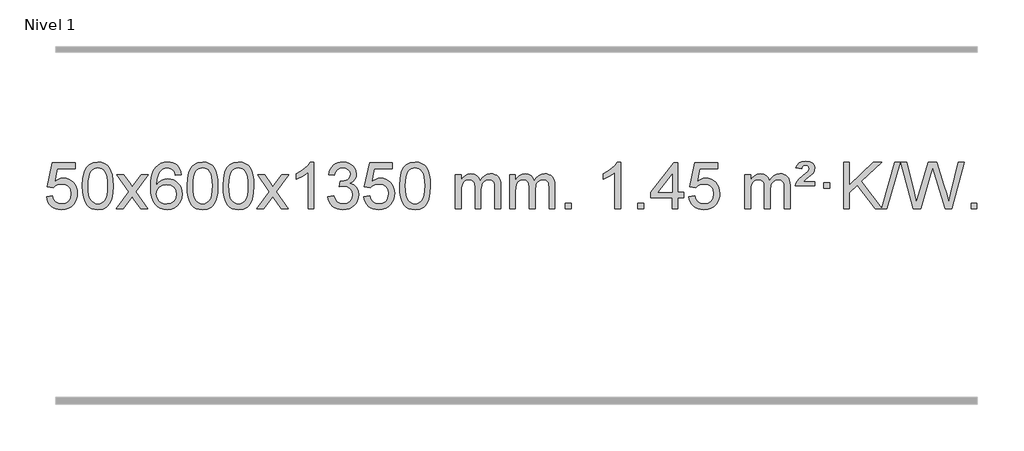
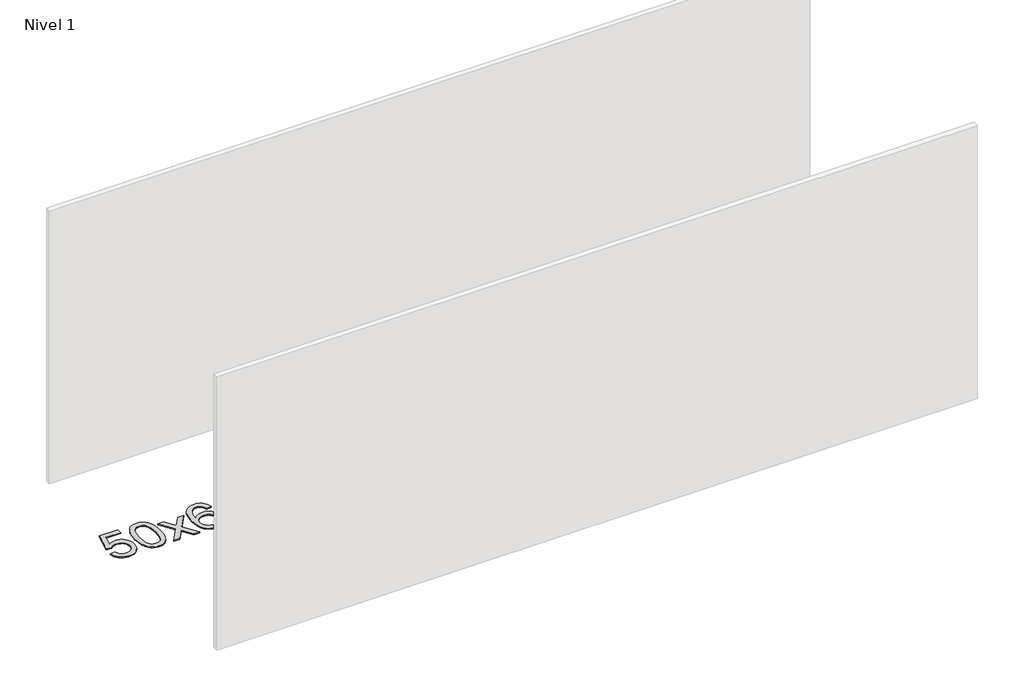
# One storey, part 9 of 10: 1 proxy.
"""IFC4 building model written with IfcOpenShell, lengths in millimetres."""

import ifcopenshell
import ifcopenshell.guid

model = None  # the IFC model being written
_history = None  # IfcOwnerHistory: only IFC2X3 demands one
_inside = {}  # id of a spatial element -> (the spatial element, [elements in it])
_under = {}  # id of a project, library or spatial element -> (it, [spatial elements below it])
_declared = {}  # id of a project -> (the project, [libraries it declares])
_typed = {}  # id of a type object -> (the type object, [elements of that type])
_made_of = {}  # id of a material, layer set ... -> (it, [elements and type objects made of it])


def new_model(schema):
    """Start an empty IFC model of exactly this schema.

    Asked for "IFC4X3", IfcOpenShell would pick the latest addendum, in which some entities
    have other attributes; the version numbers below select the first issue.
    IFC2X3 requires an IfcOwnerHistory on every rooted entity: one is made here for all.
    """
    global model, _history
    if schema == "IFC4X3":
        model = ifcopenshell.file(schema_version=(4, 3, 0, 0))
    else:
        model = ifcopenshell.file(schema=schema)
    _inside.clear()
    _under.clear()
    _declared.clear()
    _typed.clear()
    _made_of.clear()
    _history = None
    if model.schema == "IFC2X3":
        org = make("IfcOrganization", Name="unknown")
        user = make(
            "IfcPersonAndOrganization",
            ThePerson=make("IfcPerson", FamilyName="unknown"),
            TheOrganization=org,
        )
        app = make(
            "IfcApplication",
            ApplicationDeveloper=org,
            Version="unknown",
            ApplicationFullName="unknown",
            ApplicationIdentifier="unknown",
        )
        _history = make(
            "IfcOwnerHistory",
            OwningUser=user,
            OwningApplication=app,
            ChangeAction="ADDED",
            CreationDate=0,
        )
    return model


def make(cls, **values):
    """One entity of the class cls with the attributes given. An attribute that is None is left unset."""
    return model.create_entity(
        cls, **{name: value for name, value in values.items() if value is not None}
    )


def rooted(cls, **values):
    """An entity with a GlobalId (a new one), such as an element, a storey or a relation."""
    return make(cls, GlobalId=ifcopenshell.guid.new(), OwnerHistory=_history, **values)


def si_unit(unit_type, name, prefix=None):
    """IfcSIUnit, for example si_unit("LENGTHUNIT", "METRE", prefix="MILLI")."""
    return make("IfcSIUnit", UnitType=unit_type, Prefix=prefix, Name=name)


def assignment(units):
    """IfcUnitAssignment: the units of a project."""
    return None if units is None else make("IfcUnitAssignment", Units=units)


def point(xyz):
    """IfcCartesianPoint."""
    return None if xyz is None else make("IfcCartesianPoint", Coordinates=xyz)


def direction(xyz):
    """IfcDirection."""
    return None if xyz is None else make("IfcDirection", DirectionRatios=xyz)


def frame(location, z_axis=None, x_axis=None):
    """IfcAxis2Placement3D, a coordinate frame: its origin and axes. An axis left out is left unset."""
    return make(
        "IfcAxis2Placement3D",
        Location=point(location),
        Axis=direction(z_axis),
        RefDirection=direction(x_axis),
    )


def origin():
    """The frame at (0, 0, 0) with its axes left unset."""
    return frame((0.0, 0.0, 0.0))


def origin_with_axes():
    """The frame at (0, 0, 0) with the z axis (0, 0, 1) and the x axis (1, 0, 0) written out."""
    return frame((0.0, 0.0, 0.0), z_axis=(0.0, 0.0, 1.0), x_axis=(1.0, 0.0, 0.0))


def place(relative_to, where):
    """IfcLocalPlacement: puts the frame where relative to a parent placement (None: the world)."""
    return make(
        "IfcLocalPlacement", PlacementRelTo=relative_to, RelativePlacement=where
    )


def context(
    kind, dimensions, precision=None, world=None, true_north=None, identifier=None
):
    """IfcGeometricRepresentationContext, for example the 3D "Model" context."""
    return make(
        "IfcGeometricRepresentationContext",
        ContextIdentifier=identifier,
        ContextType=kind,
        CoordinateSpaceDimension=dimensions,
        Precision=precision,
        WorldCoordinateSystem=world,
        TrueNorth=true_north,
    )


def project(units=None, contexts=None):
    """IfcProject with its units and contexts."""
    return rooted(
        "IfcProject",
        Name="project",
        RepresentationContexts=contexts,
        UnitsInContext=assignment(units),
    )


def spatial(cls, under=None, at=None, **own):
    """A site, building, storey or space (cls), placed at a placement, below another one or the project."""
    s = rooted(cls, ObjectPlacement=at, **own)
    if under is not None:
        _under.setdefault(under.id(), (under, []))[1].append(s)
    return s


def polyline(points):
    """IfcPolyline through the points."""
    return make("IfcPolyline", Points=[point(p) for p in points])


def outline(outer, holes=None, kind="AREA"):
    """IfcArbitraryClosedProfileDef: a profile drawn as a closed curve; with holes, ...WithVoids."""
    if holes is None:
        return make("IfcArbitraryClosedProfileDef", ProfileType=kind, OuterCurve=outer)
    return make(
        "IfcArbitraryProfileDefWithVoids",
        ProfileType=kind,
        OuterCurve=outer,
        InnerCurves=holes,
    )


def extrude(swept, where, along, depth):
    """IfcExtrudedAreaSolid: the profile swept, set in the frame where, extruded along a direction by depth."""
    return make(
        "IfcExtrudedAreaSolid",
        SweptArea=swept,
        Position=where,
        ExtrudedDirection=direction(along),
        Depth=depth,
    )


def shape(context_of_items, identifier, shape_type, items):
    """IfcShapeRepresentation: the items that make up one representation, for example the "Body"."""
    return make(
        "IfcShapeRepresentation",
        ContextOfItems=context_of_items,
        RepresentationIdentifier=identifier,
        RepresentationType=shape_type,
        Items=items,
    )


def made_of(thing, what):
    """Note that an element or type object is made of a material, layer set ...; save() writes the relation."""
    if what is not None:
        _made_of.setdefault(what.id(), (what, []))[1].append(thing)
    return thing


def element(
    cls,
    number,
    at=None,
    inside=None,
    cuts=None,
    type_object=None,
    material=None,
    context=None,
    identifier="Body",
    shape_type=None,
    held_by="IfcProductDefinitionShape",
    body=None,
    shapes=None,
    **own,
):
    """One element of the class cls, such as IfcWall. Its Tag is "e" and its number.

    at: its placement. inside: the storey or other place that contains it. cuts: it is an
    opening in that element (IfcRelVoidsElement). A single representation is given by context,
    identifier, shape_type and body (its items); several are given by shapes. held_by: the class
    of the entity that holds the representations. save() writes the other relations.
    """
    e = rooted(cls, Tag="e%d" % number, ObjectPlacement=at, **own)
    if body is not None:
        shapes = [shape(context, identifier, shape_type, body)]
    if shapes is not None:
        e.Representation = make(held_by, Representations=shapes)
    if inside is not None:
        _inside.setdefault(inside.id(), (inside, []))[1].append(e)
    if cuts is not None:
        rooted(
            "IfcRelVoidsElement", RelatingBuildingElement=cuts, RelatedOpeningElement=e
        )
    if type_object is not None:
        _typed.setdefault(type_object.id(), (type_object, []))[1].append(e)
    return made_of(e, material)


def aggregate(whole, parts):
    """IfcRelAggregates: a whole, such as a stair, and the parts it consists of."""
    return rooted("IfcRelAggregates", RelatingObject=whole, RelatedObjects=parts)


def save(model, path):
    """Write the relations noted so far, then the file.

    IfcRelAggregates (storeys below a building ...), IfcRelContainedInSpatialStructure (elements
    in a storey), IfcRelDefinesByType, IfcRelAssociatesMaterial and IfcRelDeclares: one each for
    every whole, place, type object, material and project.
    """
    for whole, parts in _under.values():
        aggregate(whole, parts)
    for where, things in _inside.values():
        rooted(
            "IfcRelContainedInSpatialStructure",
            RelatedElements=things,
            RelatingStructure=where,
        )
    for kind, things in _typed.values():
        rooted("IfcRelDefinesByType", RelatedObjects=things, RelatingType=kind)
    for what, things in _made_of.values():
        rooted("IfcRelAssociatesMaterial", RelatedObjects=things, RelatingMaterial=what)
    for by, libraries in _declared.values():
        rooted("IfcRelDeclares", RelatingContext=by, RelatedDefinitions=libraries)
    model.write(path)


model = new_model("IFC4")

# Units and contexts
model_context = context("Model", 3, world=origin())
ifc_project = project(units=[si_unit("LENGTHUNIT", "METRE", prefix="MILLI")], contexts=[model_context])

# Site, building, storey
site = spatial("IfcSite", under=ifc_project)
building = spatial("IfcBuilding", under=site)
storey = spatial("IfcBuildingStorey", under=building, Name="Nivel 1", Elevation=0.0)

# Proxy
placement = place(None, origin())
element("IfcBuildingElementProxy", 1, Name="Texto de modelo 1", ObjectType="Texto de modelo 1", at=placement, inside=storey, context=model_context, shape_type="SweptSolid", body=[
    extrude(outline(polyline([(-6609.9934354, -284.8446235), (-6559.7652803, -278.5661041), (-6550.543705, -308.7201649), (-6534.454999, -330.3148381), (-6511.5727389, -343.3010725), (-6481.9705011, -347.6298173), (-6462.8406373, -346.1245668), (-6445.9671165, -341.6088153), (-6431.3499385, -334.0825628), (-6418.9891035, -323.5458094), (-6409.1605228, -310.519721), (-6402.1401081, -295.5254641), (-6396.5237763, -259.6324441), (-6401.7844888, -225.8363514), (-6408.3603795, -211.9181493), (-6417.5666264, -199.9865099), (-6429.4338865, -190.4154467), (-6443.9928164, -183.5789729), (-6481.1856861, -178.1097939), (-6505.5517369, -180.2925604), (-6525.2824746, -186.8408599), (-6541.0400868, -196.8717757), (-6553.4867609, -209.5023908), (-6603.714916, -203.2238715), (-6559.7652803, 3.9672682), (-6365.1311794, 3.9672682), (-6365.1311794, -46.2608869), (-6519.151108, -46.2608869), (-6540.6354166, -156.919791), (-6522.9096358, -144.2155994), (-6504.7546593, -135.1411769), (-6486.1704872, -129.6965234), (-6467.1571194, -127.8816388), (-6442.6960324, -130.1318504), (-6420.2276395, -136.882485), (-6399.7519408, -148.1335427), (-6381.2689362, -163.8850234), (-6365.9681109, -183.1743027), (-6355.03895, -205.038756), (-6348.4814534, -229.4783832), (-6346.2956212, -256.4931844), (-6348.2637899, -282.5147042), (-6354.1682959, -306.7213394), (-6364.0091393, -329.1130902), (-6377.78632, -349.6899565), (-6398.6574919, -370.7634634), (-6423.01128, -385.8159684), (-6450.8476843, -394.8474714), (-6482.1667048, -397.8579724), (-6508.087057, -395.9235262), (-6531.4996803, -390.1201877), (-6552.4045747, -380.447957), (-6570.8017402, -366.9068338), (-6586.1086968, -350.1712688), (-6597.7429649, -330.915712), (-6605.7045445, -309.1401636), (-6609.9934354, -284.8446235)])), origin_with_axes(), (0.0, 0.0, 1.0), 10.0),
    extrude(outline(polyline([(-6302.3459855, -193.9041943), (-6298.6549029, -129.5861588), (-6287.5816548, -78.2911459), (-6269.236606, -39.2343407), (-6257.378543, -24.0009605), (-6243.730121, -11.6309284), (-6228.2453547, -2.0598651), (-6210.8782588, 4.7766086), (-6170.4970785, 10.2457876), (-6139.5459399, 7.008426), (-6111.832163, -2.7036586), (-6088.6555973, -18.5103217), (-6071.3160926, -40.0314184), (-6058.2194935, -67.0830078), (-6047.7716449, -99.4811488), (-6040.9290398, -140.6226186), (-6038.6481714, -193.9041943), (-6042.3024659, -257.8543477), (-6053.2653493, -309.0267333), (-6071.5000336, -348.1203266), (-6083.3305054, -363.3996922), (-6096.9697304, -375.8341036), (-6112.4728908, -385.4695462), (-6129.8951689, -392.3520052), (-6170.4970785, -397.8579724), (-6198.1618045, -395.4667394), (-6222.6872709, -388.2930405), (-6244.0734775, -376.3368757), (-6262.3204245, -359.5982449), (-6279.8316074, -329.3399508), (-6292.3395953, -291.6381776), (-6299.844388, -246.4929255), (-6302.3459855, -193.9041943)]), holes=[polyline([(-6252.1178305, -193.8060924), (-6250.6463025, -237.4706195), (-6246.2317185, -272.8148822), (-6238.8740786, -299.8388804), (-6228.5733828, -318.5426142), (-6216.1144459, -331.2682656), (-6202.2820829, -340.3580165), (-6187.0762937, -345.8118671), (-6170.4970785, -347.6298173), (-6153.9178632, -345.8057357), (-6138.7120741, -340.3334911), (-6124.8797111, -331.2130833), (-6112.4207742, -318.4445124), (-6102.1200783, -299.7101217), (-6094.7624384, -272.6922549), (-6090.3478545, -237.3909118), (-6088.8763265, -193.8060924), (-6090.2988035, -151.2973278), (-6094.5662347, -116.5753989), (-6101.6786199, -89.6403055), (-6111.6359592, -70.4920476), (-6123.8864297, -57.1440625), (-6137.8782082, -47.6097875), (-6153.6112949, -41.8892225), (-6171.0856897, -39.9823675), (-6187.5790658, -41.6623619), (-6202.5273375, -46.7023452), (-6215.9305049, -55.1023175), (-6227.7885679, -66.8622786), (-6238.4326203, -87.708925), (-6246.0355148, -115.8151094), (-6250.5972516, -151.1808319), (-6252.1178305, -193.8060924)])]), origin_with_axes(), (0.0, 0.0, 1.0), 10.0),
    extrude(outline(polyline([(-6013.5340939, -391.579453), (-5906.2106531, -243.2494325), (-6007.2555745, -96.4890419), (-5946.8248254, -96.4890419), (-5898.0681983, -167.122385), (-5875.3085655, -200.4770192), (-5855.5900906, -173.2047007), (-5800.0644348, -96.4890419), (-5739.6336857, -96.4890419), (-5845.7799041, -243.2494325), (-5743.5577603, -391.579453), (-5803.9885094, -391.579453), (-5865.498379, -302.4048574), (-5876.7800935, -286.1199477), (-5953.1033448, -391.579453), (-6013.5340939, -391.579453)])), origin_with_axes(), (0.0, 0.0, 1.0), 10.0),
    extrude(outline(polyline([(-5454.7458687, -96.4890419), (-5504.9740237, -102.7675613), (-5513.0674276, -77.874213), (-5524.0057856, -60.8780648), (-5546.7899439, -45.2062918), (-5574.3320426, -39.9823675), (-5597.6802865, -43.0235253), (-5619.6551044, -52.1469988), (-5638.5274507, -71.3627017), (-5653.9417063, -97.8134171), (-5664.3527668, -135.227016), (-5668.2155277, -187.3313693), (-5648.0678571, -163.8237098), (-5623.9225355, -147.2567573), (-5597.1284635, -137.434308), (-5569.0345418, -134.1601582), (-5544.9014829, -136.398107), (-5522.6323595, -143.1119534), (-5502.2271715, -154.3016975), (-5483.6859189, -169.9673391), (-5468.2777947, -189.1769106), (-5457.2719917, -210.9984443), (-5450.6685099, -235.4319401), (-5448.4673493, -262.4773982), (-5452.6121531, -298.4439945), (-5465.0465645, -331.786366), (-5484.740514, -360.0642287), (-5510.6639319, -380.8372987), (-5541.6395959, -393.602804), (-5576.4902836, -397.8579724), (-5606.4328123, -395.0375437), (-5633.4752046, -386.5762579), (-5657.6174606, -372.4741147), (-5678.8595801, -352.7311143), (-5696.177625, -326.5133908), (-5708.5476571, -292.9870783), (-5715.9696764, -252.1521768), (-5718.4436828, -204.0086864), (-5715.6968306, -150.0342663), (-5707.4562739, -103.9693092), (-5693.7220127, -65.8138149), (-5674.4940471, -35.5677835), (-5653.6535321, -15.5243462), (-5629.4898164, -1.2076052), (-5602.0029, 7.3824394), (-5571.1927829, 10.2457876), (-5548.0591367, 8.4738227), (-5527.1205198, 3.1579278), (-5508.3769322, -5.7018969), (-5491.8283738, -18.1056515), (-5477.9224344, -33.6364031), (-5467.1067037, -51.8772186), (-5459.3811818, -72.8280983), (-5454.7458687, -96.4890419)]), holes=[polyline([(-5668.2155277, -261.6925832), (-5665.30926, -283.9494439), (-5656.5904567, -305.2007605), (-5643.0523993, -323.472233), (-5625.6883691, -336.7895612), (-5604.7313581, -344.9197533), (-5580.4143582, -347.6298173), (-5547.2681904, -342.0134855), (-5533.353054, -334.9930708), (-5521.2098825, -325.1644901), (-5511.359842, -312.9262824), (-5504.3240989, -298.6769865), (-5498.6955043, -264.1451299), (-5504.2505225, -230.9989621), (-5511.1942951, -217.3781312), (-5520.9155769, -205.725469), (-5533.0955366, -196.3904634), (-5547.4153432, -189.7226022), (-5582.4744974, -184.3883133), (-5615.5716142, -189.7226022), (-5643.248603, -205.725469), (-5654.1716326, -217.2248471), (-5661.9737965, -230.3858254), (-5666.6550949, -245.2084042), (-5668.2155277, -261.6925832)])]), origin_with_axes(), (0.0, 0.0, 1.0), 10.0),
    extrude(outline(polyline([(-5404.5177136, -193.9041943), (-5400.8266309, -129.5861588), (-5389.7533828, -78.2911459), (-5371.408334, -39.2343407), (-5359.550271, -24.0009605), (-5345.901849, -11.6309284), (-5330.4170827, -2.0598651), (-5313.0499869, 4.7766086), (-5272.6688065, 10.2457876), (-5241.717668, 7.008426), (-5214.003891, -2.7036586), (-5190.8273253, -18.5103217), (-5173.4878206, -40.0314184), (-5160.3912216, -67.0830078), (-5149.9433729, -99.4811488), (-5143.1007678, -140.6226186), (-5140.8198994, -193.9041943), (-5144.4741939, -257.8543477), (-5155.4370774, -309.0267333), (-5173.6717616, -348.1203266), (-5185.5022334, -363.3996922), (-5199.1414584, -375.8341036), (-5214.6446188, -385.4695462), (-5232.066897, -392.3520052), (-5272.6688065, -397.8579724), (-5300.3335326, -395.4667394), (-5324.8589989, -388.2930405), (-5346.2452055, -376.3368757), (-5364.4921525, -359.5982449), (-5382.0033355, -329.3399508), (-5394.5113233, -291.6381776), (-5402.016116, -246.4929255), (-5404.5177136, -193.9041943)]), holes=[polyline([(-5354.2895585, -193.8060924), (-5352.8180305, -237.4706195), (-5348.4034466, -272.8148822), (-5341.0458067, -299.8388804), (-5330.7451108, -318.5426142), (-5318.2861739, -331.2682656), (-5304.4538109, -340.3580165), (-5289.2480218, -345.8118671), (-5272.6688065, -347.6298173), (-5256.0895913, -345.8057357), (-5240.8838021, -340.3334911), (-5227.0514391, -331.2130833), (-5214.5925022, -318.4445124), (-5204.2918063, -299.7101217), (-5196.9341664, -272.6922549), (-5192.5195825, -237.3909118), (-5191.0480545, -193.8060924), (-5192.4705316, -151.2973278), (-5196.7379627, -116.5753989), (-5203.8503479, -89.6403055), (-5213.8076873, -70.4920476), (-5226.0581577, -57.1440625), (-5240.0499363, -47.6097875), (-5255.7830229, -41.8892225), (-5273.2574177, -39.9823675), (-5289.7507938, -41.6623619), (-5304.6990656, -46.7023452), (-5318.1022329, -55.1023175), (-5329.9602959, -66.8622786), (-5340.6043483, -87.708925), (-5348.2072429, -115.8151094), (-5352.7689796, -151.1808319), (-5354.2895585, -193.8060924)])]), origin_with_axes(), (0.0, 0.0, 1.0), 10.0),
    extrude(outline(polyline([(-5096.8702638, -193.9041943), (-5093.1791811, -129.5861588), (-5082.105933, -78.2911459), (-5063.7608842, -39.2343407), (-5051.9028212, -24.0009605), (-5038.2543992, -11.6309284), (-5022.7696329, -2.0598651), (-5005.402537, 4.7766086), (-4965.0213567, 10.2457876), (-4934.0702182, 7.008426), (-4906.3564412, -2.7036586), (-4883.1798755, -18.5103217), (-4865.8403708, -40.0314184), (-4852.7437718, -67.0830078), (-4842.2959231, -99.4811488), (-4835.453318, -140.6226186), (-4833.1724496, -193.9041943), (-4836.8267441, -257.8543477), (-4847.7896275, -309.0267333), (-4866.0243118, -348.1203266), (-4877.8547836, -363.3996922), (-4891.4940086, -375.8341036), (-4906.997169, -385.4695462), (-4924.4194471, -392.3520052), (-4965.0213567, -397.8579724), (-4992.6860827, -395.4667394), (-5017.2115491, -388.2930405), (-5038.5977557, -376.3368757), (-5056.8447027, -359.5982449), (-5074.3558856, -329.3399508), (-5086.8638735, -291.6381776), (-5094.3686662, -246.4929255), (-5096.8702638, -193.9041943)]), holes=[polyline([(-5046.6421087, -193.8060924), (-5045.1705807, -237.4706195), (-5040.7559968, -272.8148822), (-5033.3983568, -299.8388804), (-5023.097661, -318.5426142), (-5010.6387241, -331.2682656), (-4996.8063611, -340.3580165), (-4981.6005719, -345.8118671), (-4965.0213567, -347.6298173), (-4948.4421414, -345.8057357), (-4933.2363523, -340.3334911), (-4919.4039893, -331.2130833), (-4906.9450524, -318.4445124), (-4896.6443565, -299.7101217), (-4889.2867166, -272.6922549), (-4884.8721327, -237.3909118), (-4883.4006047, -193.8060924), (-4884.8230817, -151.2973278), (-4889.0905129, -116.5753989), (-4896.2028981, -89.6403055), (-4906.1602375, -70.4920476), (-4918.4107079, -57.1440625), (-4932.4024864, -47.6097875), (-4948.1355731, -41.8892225), (-4965.6099679, -39.9823675), (-4982.103344, -41.6623619), (-4997.0516157, -46.7023452), (-5010.4547831, -55.1023175), (-5022.3128461, -66.8622786), (-5032.9568985, -87.708925), (-5040.559793, -115.8151094), (-5045.1215298, -151.1808319), (-5046.6421087, -193.8060924)])]), origin_with_axes(), (0.0, 0.0, 1.0), 10.0),
    extrude(outline(polyline([(-4808.0583721, -391.579453), (-4700.7349313, -243.2494325), (-4801.7798527, -96.4890419), (-4741.3491036, -96.4890419), (-4692.5924765, -167.122385), (-4669.8328437, -200.4770192), (-4650.1143688, -173.2047007), (-4594.588713, -96.4890419), (-4534.1579639, -96.4890419), (-4640.3041823, -243.2494325), (-4538.0820385, -391.579453), (-4598.5127876, -391.579453), (-4660.0226572, -302.4048574), (-4671.3043717, -286.1199477), (-4747.627623, -391.579453), (-4808.0583721, -391.579453)])), origin_with_axes(), (0.0, 0.0, 1.0), 10.0),
    extrude(outline(polyline([(-4318.3338601, -391.579453), (-4368.5620152, -391.579453), (-4368.5620152, -78.4382987), (-4389.5312889, -95.3976587), (-4416.1414199, -112.3324932), (-4469.0183253, -137.6918254), (-4469.0183253, -90.2105225), (-4429.5691127, -68.7507395), (-4395.3928753, -43.219729), (-4368.4516506, -16.0700378), (-4350.7074757, 10.2457876), (-4318.3338601, 10.2457876), (-4318.3338601, -391.579453)])), origin_with_axes(), (0.0, 0.0, 1.0), 10.0),
    extrude(outline(polyline([(-4199.0419918, -284.8446235), (-4148.8138367, -278.5661041), (-4137.5689104, -310.1303793), (-4121.1000597, -331.4430095), (-4098.5979444, -343.5831154), (-4069.2532239, -347.6298173), (-4034.8194691, -342.0625364), (-4020.5456477, -335.1034354), (-4008.2338636, -325.3606939), (-3991.2377154, -300.4428201), (-3985.5723327, -270.2274455), (-3991.1886645, -241.5449126), (-4008.0376599, -218.2825078), (-4033.5441449, -202.8682522), (-4065.1329455, -197.730167), (-4100.3515152, -203.2238715), (-4094.7597089, -152.9957164), (-4086.7153559, -153.5843276), (-4056.6226087, -149.979084), (-4029.7181721, -139.1633534), (-4018.6449241, -130.9841103), (-4010.7354612, -120.8673555), (-4005.9897835, -108.8130888), (-4004.4078909, -94.8213102), (-4008.9941531, -73.1285352), (-4022.7529397, -55.5315131), (-4043.7467389, -43.8696539), (-4070.0380388, -39.9823675), (-4096.3783897, -43.9064421), (-4117.9117491, -55.6786659), (-4133.632573, -75.299039), (-4142.5353173, -102.7675613), (-4192.7634724, -96.4890419), (-4186.8099154, -72.5092672), (-4177.9746162, -51.3867093), (-4166.2575747, -33.1213683), (-4151.6587908, -17.713244), (-4134.6381172, -5.4811677), (-4115.6554062, 3.2560297), (-4094.710658, 8.4983481), (-4071.8038724, 10.2457876), (-4040.2273345, 6.7999596), (-4011.2259705, -3.5375245), (-3986.7740806, -19.8469596), (-3968.8459647, -41.2086408), (-3957.846293, -65.8199463), (-3954.1797358, -91.8782543), (-3957.662352, -116.1584659), (-3968.1102007, -138.1823347), (-3985.376129, -156.9443165), (-4009.3129841, -171.4388671), (-3977.8713363, -184.1430586), (-3954.5721433, -205.77452), (-3940.151169, -235.1560286), (-3935.3441776, -271.1103623), (-3937.7476733, -296.5923218), (-3944.9581605, -320.0631931), (-3956.975639, -341.5229762), (-3973.8001089, -360.971671), (-3994.2972674, -377.1094278), (-4017.3328116, -388.636397), (-4042.9067417, -395.5525785), (-4071.0190575, -397.8579724), (-4096.4274406, -395.8898037), (-4119.5794808, -389.9852977), (-4140.4751782, -380.1444543), (-4159.1145326, -366.3672736), (-4174.743386, -349.4630959), (-4186.6075804, -330.2412617), (-4194.7071156, -308.7017708), (-4199.0419918, -284.8446235)])), origin_with_axes(), (0.0, 0.0, 1.0), 10.0),
    extrude(outline(polyline([(-3891.394542, -284.8446235), (-3841.1663869, -278.5661041), (-3831.9448115, -308.7201649), (-3815.8561056, -330.3148381), (-3792.9738455, -343.3010725), (-3763.3716076, -347.6298173), (-3744.2417439, -346.1245668), (-3727.368223, -341.6088153), (-3712.7510451, -334.0825628), (-3700.3902101, -323.5458094), (-3690.5616294, -310.519721), (-3683.5412147, -295.5254641), (-3677.9248829, -259.6324441), (-3683.1855954, -225.8363514), (-3689.7614861, -211.9181493), (-3698.967733, -199.9865099), (-3710.834993, -190.4154467), (-3725.393923, -183.5789729), (-3762.5867927, -178.1097939), (-3786.9528435, -180.2925604), (-3806.6835812, -186.8408599), (-3822.4411933, -196.8717757), (-3834.8878675, -209.5023908), (-3885.1160226, -203.2238715), (-3841.1663869, 3.9672682), (-3646.532286, 3.9672682), (-3646.532286, -46.2608869), (-3800.5522146, -46.2608869), (-3822.0365231, -156.919791), (-3804.3107423, -144.2155994), (-3786.1557659, -135.1411769), (-3767.5715937, -129.6965234), (-3748.558226, -127.8816388), (-3724.097139, -130.1318504), (-3701.6287461, -136.882485), (-3681.1530474, -148.1335427), (-3662.6700428, -163.8850234), (-3647.3692175, -183.1743027), (-3636.4400566, -205.038756), (-3629.88256, -229.4783832), (-3627.6967278, -256.4931844), (-3629.6648965, -282.5147042), (-3635.5694025, -306.7213394), (-3645.4102459, -329.1130902), (-3659.1874266, -349.6899565), (-3680.0585985, -370.7634634), (-3704.4123865, -385.8159684), (-3732.2487908, -394.8474714), (-3763.5678114, -397.8579724), (-3789.4881636, -395.9235262), (-3812.9007869, -390.1201877), (-3833.8056813, -380.447957), (-3852.2028467, -366.9068338), (-3867.5098034, -350.1712688), (-3879.1440715, -330.915712), (-3887.105651, -309.1401636), (-3891.394542, -284.8446235)])), origin_with_axes(), (0.0, 0.0, 1.0), 10.0),
    extrude(outline(polyline([(-3583.7470921, -193.9041943), (-3580.0560094, -129.5861588), (-3568.9827614, -78.2911459), (-3550.6377126, -39.2343407), (-3538.7796496, -24.0009605), (-3525.1312276, -11.6309284), (-3509.6464612, -2.0598651), (-3492.2793654, 4.7766086), (-3451.8981851, 10.2457876), (-3420.9470465, 7.008426), (-3393.2332696, -2.7036586), (-3370.0567039, -18.5103217), (-3352.7171992, -40.0314184), (-3339.6206001, -67.0830078), (-3329.1727515, -99.4811488), (-3322.3301463, -140.6226186), (-3320.049278, -193.9041943), (-3323.7035725, -257.8543477), (-3334.6664559, -309.0267333), (-3352.9011401, -348.1203266), (-3364.731612, -363.3996922), (-3378.3708369, -375.8341036), (-3393.8739974, -385.4695462), (-3411.2962755, -392.3520052), (-3451.8981851, -397.8579724), (-3479.5629111, -395.4667394), (-3504.0883774, -388.2930405), (-3525.4745841, -376.3368757), (-3543.721531, -359.5982449), (-3561.232714, -329.3399508), (-3573.7407019, -291.6381776), (-3581.2454946, -246.4929255), (-3583.7470921, -193.9041943)]), holes=[polyline([(-3533.518937, -193.8060924), (-3532.0474091, -237.4706195), (-3527.6328251, -272.8148822), (-3520.2751852, -299.8388804), (-3509.9744894, -318.5426142), (-3497.5155525, -331.2682656), (-3483.6831894, -340.3580165), (-3468.4774003, -345.8118671), (-3451.8981851, -347.6298173), (-3435.3189698, -345.8057357), (-3420.1131807, -340.3334911), (-3406.2808176, -331.2130833), (-3393.8218807, -318.4445124), (-3383.5211849, -299.7101217), (-3376.163545, -272.6922549), (-3371.748961, -237.3909118), (-3370.2774331, -193.8060924), (-3371.6999101, -151.2973278), (-3375.9673412, -116.5753989), (-3383.0797265, -89.6403055), (-3393.0370658, -70.4920476), (-3405.2875363, -57.1440625), (-3419.2793148, -47.6097875), (-3435.0124015, -41.8892225), (-3452.4867962, -39.9823675), (-3468.9801724, -41.6623619), (-3483.9284441, -46.7023452), (-3497.3316115, -55.1023175), (-3509.1896744, -66.8622786), (-3519.8337268, -87.708925), (-3527.4366214, -115.8151094), (-3531.9983581, -151.1808319), (-3533.518937, -193.8060924)])]), origin_with_axes(), (0.0, 0.0, 1.0), 10.0),
    extrude(outline(polyline([(-3106.5796189, -391.579453), (-3106.5796189, -96.4890419), (-3056.3514638, -96.4890419), (-3056.3514638, -145.0494653), (-3041.2437766, -122.7435537), (-3021.8196072, -105.2691589), (-2998.7411434, -93.9751816), (-2972.6705727, -90.2105225), (-2944.7360665, -94.048758), (-2922.3443157, -105.5634645), (-2905.6179477, -123.9943524), (-2894.6795897, -148.5811324), (-2876.3713291, -123.0439906), (-2855.4878945, -104.803175), (-2832.0292859, -93.8586857), (-2805.9955034, -90.2105225), (-2785.8876867, -91.7280358), (-2768.2385479, -96.2805755), (-2753.0480872, -103.8681416), (-2740.3163045, -114.4907342), (-2730.2516663, -128.2709806), (-2723.0626389, -145.3315082), (-2718.7492225, -165.6723168), (-2717.3114171, -189.2934066), (-2717.3114171, -391.579453), (-2767.5395722, -391.579453), (-2767.5395722, -210.875817), (-2768.7045318, -185.8230531), (-2772.1994108, -168.9372695), (-2778.7477103, -157.3735121), (-2789.0729316, -148.2868268), (-2802.3534716, -142.4007149), (-2817.7677272, -140.4386776), (-2844.9787321, -145.4663982), (-2867.1620165, -160.54956), (-2875.7673895, -172.1194488), (-2881.9140845, -186.7182326), (-2886.8314405, -225.0024856), (-2886.8314405, -391.579453), (-2937.0595955, -391.579453), (-2937.0595955, -205.2840106), (-2939.9658633, -176.8835206), (-2948.6846666, -156.6254854), (-2964.0253458, -144.4853796), (-2986.7972413, -140.4386776), (-3006.1478342, -143.1364789), (-3023.9778483, -151.2298828), (-3038.6931281, -164.5226856), (-3048.6995183, -182.8186835), (-3054.4384775, -208.2025411), (-3056.3514638, -242.7589232), (-3056.3514638, -391.579453), (-3106.5796189, -391.579453)])), origin_with_axes(), (0.0, 0.0, 1.0), 10.0),
    extrude(outline(polyline([(-2641.9691845, -391.579453), (-2641.9691845, -96.4890419), (-2591.7410294, -96.4890419), (-2591.7410294, -145.0494653), (-2576.6333421, -122.7435537), (-2557.2091728, -105.2691589), (-2534.130709, -93.9751816), (-2508.0601382, -90.2105225), (-2480.1256321, -94.048758), (-2457.7338813, -105.5634645), (-2441.0075132, -123.9943524), (-2430.0691552, -148.5811324), (-2411.7608946, -123.0439906), (-2390.87746, -104.803175), (-2367.4188515, -93.8586857), (-2341.3850689, -90.2105225), (-2321.2772522, -91.7280358), (-2303.6281135, -96.2805755), (-2288.4376528, -103.8681416), (-2275.7058701, -114.4907342), (-2265.6412318, -128.2709806), (-2258.4522045, -145.3315082), (-2254.1387881, -165.6723168), (-2252.7009826, -189.2934066), (-2252.7009826, -391.579453), (-2302.9291377, -391.579453), (-2302.9291377, -210.875817), (-2304.0940974, -185.8230531), (-2307.5889763, -168.9372695), (-2314.1372758, -157.3735121), (-2324.4624972, -148.2868268), (-2337.7430372, -142.4007149), (-2353.1572928, -140.4386776), (-2380.3682977, -145.4663982), (-2402.551582, -160.54956), (-2411.156955, -172.1194488), (-2417.30365, -186.7182326), (-2422.221006, -225.0024856), (-2422.221006, -391.579453), (-2472.4491611, -391.579453), (-2472.4491611, -205.2840106), (-2475.3554289, -176.8835206), (-2484.0742321, -156.6254854), (-2499.4149113, -144.4853796), (-2522.1868068, -140.4386776), (-2541.5373998, -143.1364789), (-2559.3674138, -151.2298828), (-2574.0826936, -164.5226856), (-2584.0890839, -182.8186835), (-2589.828043, -208.2025411), (-2591.7410294, -242.7589232), (-2591.7410294, -391.579453), (-2641.9691845, -391.579453)])), origin_with_axes(), (0.0, 0.0, 1.0), 10.0),
    extrude(outline(polyline([(-2164.8017113, -391.579453), (-2164.8017113, -341.3512979), (-2114.5735562, -341.3512979), (-2114.5735562, -391.579453), (-2164.8017113, -391.579453)])), origin_with_axes(), (0.0, 0.0, 1.0), 10.0),
    extrude(outline(polyline([(-1687.634238, -391.579453), (-1737.8623931, -391.579453), (-1737.8623931, -78.4382987), (-1758.8316668, -95.3976587), (-1785.4417978, -112.3324932), (-1838.3187033, -137.6918254), (-1838.3187033, -90.2105225), (-1798.8694907, -68.7507395), (-1764.6932533, -43.219729), (-1737.7520285, -16.0700378), (-1720.0078536, 10.2457876), (-1687.634238, 10.2457876), (-1687.634238, -391.579453)])), origin_with_axes(), (0.0, 0.0, 1.0), 10.0),
    extrude(outline(polyline([(-1543.2282922, -391.579453), (-1543.2282922, -341.3512979), (-1493.0001371, -341.3512979), (-1493.0001371, -391.579453), (-1543.2282922, -391.579453)])), origin_with_axes(), (0.0, 0.0, 1.0), 10.0),
    extrude(outline(polyline([(-1248.1378811, -391.579453), (-1248.1378811, -297.4016622), (-1430.2149433, -297.4016622), (-1430.2149433, -247.1735072), (-1235.5808424, 3.9672682), (-1197.9097261, 3.9672682), (-1197.9097261, -247.1735072), (-1147.681571, -247.1735072), (-1147.681571, -297.4016622), (-1197.9097261, -297.4016622), (-1197.9097261, -391.579453), (-1248.1378811, -391.579453)]), holes=[polyline([(-1248.1378811, -247.1735072), (-1248.1378811, -91.9763561), (-1368.4107681, -247.1735072), (-1248.1378811, -247.1735072)])]), origin_with_axes(), (0.0, 0.0, 1.0), 10.0),
    extrude(outline(polyline([(-1103.7319353, -284.8446235), (-1053.5037802, -278.5661041), (-1044.2822049, -308.7201649), (-1028.193499, -330.3148381), (-1005.3112389, -343.3010725), (-975.709001, -347.6298173), (-956.5791372, -346.1245668), (-939.7056164, -341.6088153), (-925.0884384, -334.0825628), (-912.7276034, -323.5458094), (-902.8990228, -310.519721), (-895.878608, -295.5254641), (-890.2622762, -259.6324441), (-895.5229888, -225.8363514), (-902.0988794, -211.9181493), (-911.3051264, -199.9865099), (-923.1723864, -190.4154467), (-937.7313163, -183.5789729), (-974.9241861, -178.1097939), (-999.2902369, -180.2925604), (-1019.0209745, -186.8408599), (-1034.7785867, -196.8717757), (-1047.2252608, -209.5023908), (-1097.4534159, -203.2238715), (-1053.5037802, 3.9672682), (-858.8696793, 3.9672682), (-858.8696793, -46.2608869), (-1012.889608, -46.2608869), (-1034.3739165, -156.919791), (-1016.6481357, -144.2155994), (-998.4931592, -135.1411769), (-979.9089871, -129.6965234), (-960.8956193, -127.8816388), (-936.4345323, -130.1318504), (-913.9661395, -136.882485), (-893.4904407, -148.1335427), (-875.0074362, -163.8850234), (-859.7066109, -183.1743027), (-848.7774499, -205.038756), (-842.2199533, -229.4783832), (-840.0341212, -256.4931844), (-842.0022898, -282.5147042), (-847.9067959, -306.7213394), (-857.7476392, -329.1130902), (-871.5248199, -349.6899565), (-892.3959918, -370.7634634), (-916.7497799, -385.8159684), (-944.5861842, -394.8474714), (-975.9052047, -397.8579724), (-1001.825557, -395.9235262), (-1025.2381803, -390.1201877), (-1046.1430746, -380.447957), (-1064.5402401, -366.9068338), (-1079.8471968, -350.1712688), (-1091.4814649, -330.915712), (-1099.4430444, -309.1401636), (-1103.7319353, -284.8446235)])), origin_with_axes(), (0.0, 0.0, 1.0), 10.0),
    extrude(outline(polyline([(-626.5644621, -391.579453), (-626.5644621, -96.4890419), (-576.336307, -96.4890419), (-576.336307, -145.0494653), (-561.2286197, -122.7435537), (-541.8044504, -105.2691589), (-518.7259866, -93.9751816), (-492.6554158, -90.2105225), (-464.7209097, -94.048758), (-442.3291589, -105.5634645), (-425.6027909, -123.9943524), (-414.6644329, -148.5811324), (-396.3561722, -123.0439906), (-375.4727377, -104.803175), (-352.0141291, -93.8586857), (-325.9803466, -90.2105225), (-305.8725298, -91.7280358), (-288.2233911, -96.2805755), (-273.0329304, -103.8681416), (-260.3011477, -114.4907342), (-250.2365094, -128.2709806), (-243.0474821, -145.3315082), (-238.7340657, -165.6723168), (-237.2962603, -189.2934066), (-237.2962603, -391.579453), (-287.5244153, -391.579453), (-287.5244153, -210.875817), (-288.689375, -185.8230531), (-292.1842539, -168.9372695), (-298.7325535, -157.3735121), (-309.0577748, -148.2868268), (-322.3383148, -142.4007149), (-337.7525704, -140.4386776), (-364.9635753, -145.4663982), (-387.1468596, -160.54956), (-395.7522326, -172.1194488), (-401.8989276, -186.7182326), (-406.8162836, -225.0024856), (-406.8162836, -391.579453), (-457.0444387, -391.579453), (-457.0444387, -205.2840106), (-459.9507065, -176.8835206), (-468.6695098, -156.6254854), (-484.010189, -144.4853796), (-506.7820845, -140.4386776), (-526.1326774, -143.1364789), (-543.9626914, -151.2298828), (-558.6779713, -164.5226856), (-568.6843615, -182.8186835), (-574.4233206, -208.2025411), (-576.336307, -242.7589232), (-576.336307, -391.579453), (-626.5644621, -391.579453)])), origin_with_axes(), (0.0, 0.0, 1.0), 10.0),
    extrude(outline(polyline([(-193.3466246, -190.6668327), (-189.5206518, -174.8479069), (-181.1819933, -158.9799302), (-159.6731593, -133.8413272), (-127.7164766, -106.1030247), (-83.5706372, -68.726214), (-76.4337265, -57.1992448), (-74.0547563, -45.3779701), (-75.9432172, -33.2869152), (-81.6085999, -23.5012541), (-90.977328, -17.026531), (-103.9758252, -14.8682899), (-116.4102366, -16.4869707), (-125.26393, -21.343013), (-131.6896022, -30.8098431), (-136.8399501, -46.2608869), (-187.0681052, -39.9823675), (-176.2278491, -14.7701881), (-159.5995829, 2.7900458), (-135.834406, 13.0907417), (-103.5834178, 16.524307), (-67.8007624, 12.3917659), (-43.0545668, -0.0058573), (-28.6335926, -18.3386434), (-23.8266012, -40.2766731), (-27.9223541, -63.1834586), (-40.2096127, -84.8149199), (-60.737428, -104.6314968), (-97.2067965, -132.6886303), (-122.8113834, -159.2742358), (-23.8266012, -159.2742358), (-23.8266012, -190.6668327), (-193.3466246, -190.6668327)])), origin_with_axes(), (0.0, 0.0, 1.0), 10.0),
    extrude(outline(polyline([(51.5156314, -215.7809102), (51.5156314, -165.5527552), (101.7437865, -165.5527552), (101.7437865, -215.7809102), (51.5156314, -215.7809102)])), origin_with_axes(), (0.0, 0.0, 1.0), 10.0),
    extrude(outline(polyline([(492.3854144, -391.579453), (338.954097, -188.9009991), (271.2638099, -253.4520265), (271.2638099, -391.579453), (221.0356548, -391.579453), (221.0356548, 10.2457876), (271.2638099, 10.2457876), (271.2638099, -186.4484525), (477.2777272, 10.2457876), (547.5186628, 10.2457876), (374.5650741, -154.9577537), (549.218684, -385.5349332), (660.5320117, 10.2457876), (705.8550735, 10.2457876), (592.8417246, -391.579453), (553.7971822, -391.579453), (547.5186628, -391.579453), (492.3854144, -391.579453)])), origin_with_axes(), (0.0, 0.0, 1.0), 10.0),
    extrude(outline(polyline([(820.3399504, -391.579453), (710.7601668, 10.2457876), (762.5579517, 10.2457876), (826.1279605, -253.844434), (845.7483335, -335.3670841), (866.7421327, -263.2622131), (946.4008474, 10.2457876), (1021.056367, 10.2457876), (1078.9364675, -188.0180823), (1103.731714, -261.5944814), (1122.0031864, -335.3670841), (1141.0349483, -256.1988788), (1205.1935683, 10.2457876), (1256.9913532, 10.2457876), (1147.3134677, -391.579453), (1093.6517474, -391.579453), (997.3157155, -81.5775584), (983.87576, -38.3146358), (968.7680727, -90.4067263), (880.9669032, -391.579453), (820.3399504, -391.579453)])), origin_with_axes(), (0.0, 0.0, 1.0), 10.0),
    extrude(outline(polyline([(1313.4980277, -391.579453), (1313.4980277, -341.3512979), (1363.7261827, -341.3512979), (1363.7261827, -391.579453), (1313.4980277, -391.579453)])), origin_with_axes(), (0.0, 0.0, 1.0), 10.0),
])

save(model, "model.ifc")
